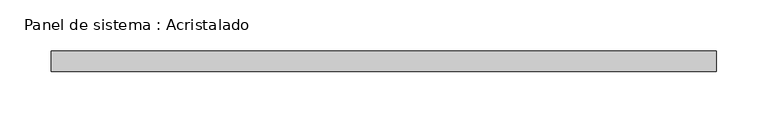
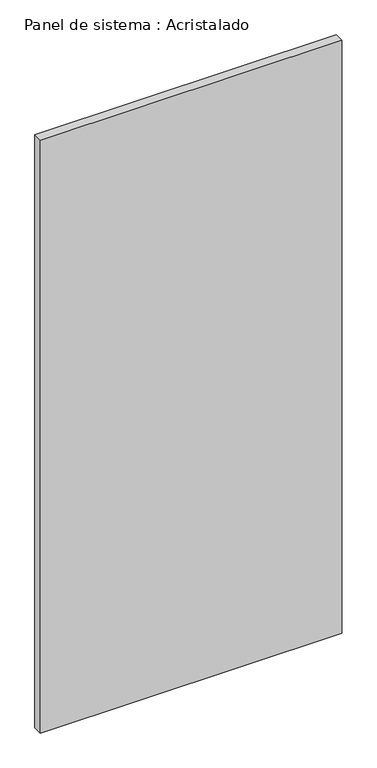
"""IFC4 building model written with IfcOpenShell, lengths in millimetres: plate geometry, Panel de sistema : Acristalado."""

from ifc_helpers import new_model, si_unit, origin, origin_with_axes, place, context, project, spatial, polyline, outline, extrude, source, transform, mapped, element, save


def panel_de_sistema_acristalado_c1b8ef8e(model_context):
    return source(origin(), model_context, "Body", "SweptSolid", [
        extrude(outline(polyline([(324.5, -10.0), (-324.5, -10.0), (-324.5, 10.0), (324.5, 10.0), (324.5, -10.0)])), origin_with_axes(), (0.0, 0.0, 1.0), 1350.0),
    ])


if __name__ == "__main__":
    model = new_model("IFC4")
    model_context = context("Model", 3, world=origin())
    ifc_project = project(units=[si_unit("LENGTHUNIT", "METRE", prefix="MILLI")], contexts=[model_context])
    site = spatial("IfcSite", under=ifc_project)
    building = spatial("IfcBuilding", under=site)
    placement = place(None, origin())
    panel_de_sistema_acristalado_shape = panel_de_sistema_acristalado_c1b8ef8e(model_context)
    element("IfcPlate", 1, ObjectType="Panel de sistema : Acristalado", at=placement, inside=building, context=model_context, shape_type="MappedRepresentation", body=[
        mapped(panel_de_sistema_acristalado_shape, transform((0.0, 0.0, 0.0), x_axis=(1.0, 0.0, 0.0), y_axis=(0.0, 1.0, 0.0), z_axis=(0.0, 0.0, 1.0))),
    ])
    save(model, "model.ifc")
